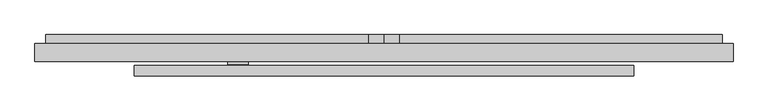
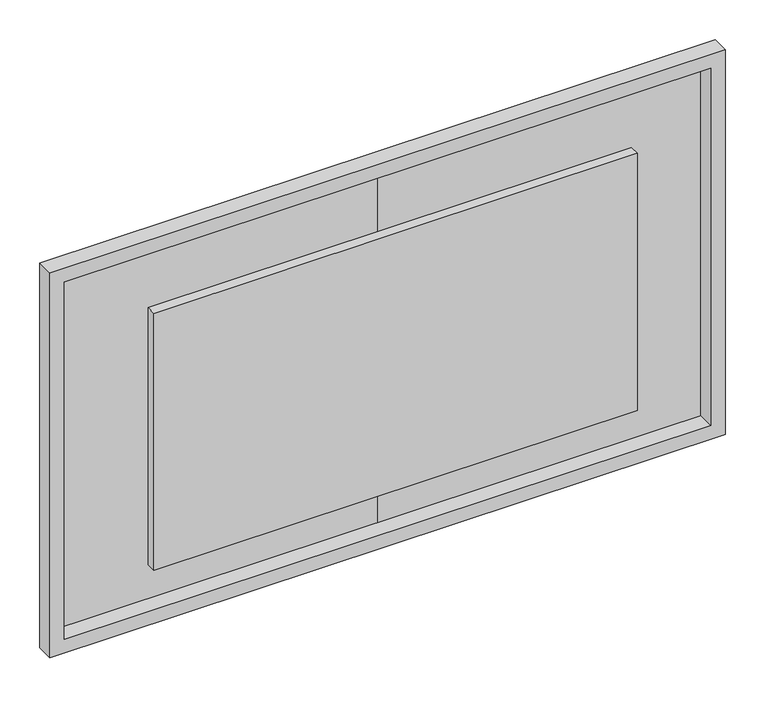
"""IFC4 building model written with IfcOpenShell, lengths in millimetres: plate geometry."""

from ifc_helpers import new_model, si_unit, point, frame, frame_2d, origin, place, context, project, spatial, polyline, circle_curve, trimmed, segment, composite_curve, outline, extrude, source, transform, mapped, element, save


def plate_c2148631(model_context):
    return source(origin(), model_context, "Body", "SweptSolid", [
        extrude(outline(polyline([(587.375, 5.3747645), (510.93116, 5.3747645), (510.93116, 24.9327645), (-510.93116, 24.9327645), (-510.93116, 5.3747645), (-587.375, 5.3747645), (-587.375, 8.0316045), (-513.588, 8.0316045), (-513.588, 27.5896045), (513.588, 27.5896045), (513.588, 8.0316045), (587.375, 8.0316045), (587.375, 5.3747645)])), frame((0.0, 0.0, 1194.181), z_axis=(0.0, 0.0, 1.0), x_axis=(1.0, 0.0, 0.0)), (0.0, 0.0, 1.0), 666.75),
        extrude(outline(polyline([(5.3747645, 1897.13616), (8.0316045, 1897.13616), (8.0316045, 1864.34984), (27.5896045, 1864.34984), (27.5896045, 1190.76216), (8.0316045, 1190.76216), (8.0316045, 1157.97584), (5.3747645, 1157.97584), (5.3747645, 1193.419), (24.9327645, 1193.419), (24.9327645, 1861.693), (5.3747645, 1861.693), (5.3747645, 1897.13616)])), frame((-510.16916, 0.0, 0.0), z_axis=(1.0, 0.0, 0.0), x_axis=(0.0, 1.0, 0.0)), (0.0, 0.0, 1.0), 1020.33832),
        extrude(outline(polyline([(2098.3702, 0.0), (2098.3702, -45.6140344), (2099.564, -45.6140344), (2099.564, -974.9746344), (955.5633805, -974.9746344), (955.5633805, -45.6140344), (956.7418, -45.6140344), (956.7418, 0.0), (1194.181, 0.0), (1194.181, -550.4390344), (1200.531, -550.4390344), (1200.531, -594.8890344), (1854.581, -594.8890344), (1854.581, -550.4390344), (1860.931, -550.4390344), (1860.931, 0.0), (2098.3702, 0.0)])), frame((0.0, 1.9076645, 0.0), z_axis=(0.0, 1.0, 0.0), x_axis=(0.0, 0.0, 1.0)), (0.0, 0.0, 1.0), 25.68194),
        extrude(outline(polyline([(2098.3702, 0.0), (1860.931, 0.0), (1860.931, 550.4390344), (1854.581, 550.4390344), (1854.581, 594.8890344), (1200.531, 594.8890344), (1200.531, 550.4390344), (1194.181, 550.4390344), (1194.181, 0.0), (956.7418, 0.0), (956.7418, 45.6140344), (955.548, 45.6140344), (955.548, 974.9746344), (2099.564, 974.9746344), (2099.564, 45.6140344), (2098.3702, 45.6140344), (2098.3702, 0.0)])), frame((0.0, 1.9076645, 0.0), z_axis=(0.0, 1.0, 0.0), x_axis=(0.0, 0.0, 1.0)), (0.0, 0.0, 1.0), 25.68194),
        extrude(outline(polyline([(-28.9703956, 1118.87), (-28.9703956, 1228.409235), (27.5896045, 1228.409235), (27.5896045, 1195.1335), (1.9076645, 1195.1335), (1.9076645, 1118.87), (-28.9703956, 1118.87)])), frame((387.10616, 0.0, 0.0), z_axis=(1.0, 0.0, 0.0), x_axis=(0.0, 1.0, 0.0)), (0.0, 0.0, 1.0), 114.3),
        extrude(outline(polyline([(-510.93116, 5.3747645), (-409.33116, 5.3747645), (-409.33116, -32.7178517), (-510.93116, -32.7178517), (-510.93116, 5.3747645)])), frame((0.0, 0.0, 1275.969), z_axis=(0.0, 0.0, 1.0), x_axis=(1.0, 0.0, 0.0)), (0.0, 0.0, 1.0), 292.1),
        extrude(outline(polyline([(-390.5800001, -57.6172355), (-450.58, -57.6172355), (-450.58, -44.9172355), (-390.5800001, -44.9172355), (-390.5800001, -57.6172355)])), frame((0.0, 0.0, 1277.3984), z_axis=(0.0, 0.0, 1.0), x_axis=(1.0, 0.0, 0.0)), (0.0, 0.0, 1.0), 59.6534781),
        extrude(outline(polyline([(917.575, 1005.8356344), (2130.425, 1005.8356344), (2130.425, -1005.8356344), (917.575, -1005.8356344), (917.575, 1005.8356344)]), holes=[polyline([(960.882, -962.5286344), (2087.118, -962.5286344), (2087.118, 962.5286344), (960.882, 962.5286344), (960.882, -962.5286344)])]), frame((0.0, -50.0073955, 0.0), z_axis=(0.0, 1.0, 0.0), x_axis=(0.0, 0.0, 1.0)), (0.0, 0.0, 1.0), 51.91506),
        extrude(outline(composite_curve([segment(polyline([(381.0, 24.9327645), (382.8786696, 23.0540949), (369.2487336, 9.424159)]), True, "CONTINUOUS"), segment(trimmed(circle_curve(frame_2d((361.95, 16.7228926)), 10.3219681), [point((369.2487336, 9.424159))], [point((361.95, 6.4009245))], False, "CARTESIAN"), True, "CONTINUOUS"), segment(polyline([(361.95, 6.4009245), (-361.95, 6.4009245)]), True, "CONTINUOUS"), segment(trimmed(circle_curve(frame_2d((-361.95, 16.7228926)), 10.3219681), [point((-361.95, 6.4009245))], [point((-369.2487336, 9.424159))], False, "CARTESIAN"), True, "CONTINUOUS"), segment(polyline([(-369.2487336, 9.424159), (-382.8786696, 23.0540949), (-381.0, 24.9327645), (-367.370064, 11.3028285)]), True, "CONTINUOUS"), segment(trimmed(circle_curve(frame_2d((-361.95, 16.7228926)), 7.6651281), [point((-367.370064, 11.3028285))], [point((-361.95, 9.0577645))], True, "CARTESIAN"), True, "CONTINUOUS"), segment(polyline([(-361.95, 9.0577645), (361.95, 9.0577645)]), True, "CONTINUOUS"), segment(trimmed(circle_curve(frame_2d((361.95, 16.7228926)), 7.6651281), [point((361.95, 9.0577645))], [point((367.370064, 11.3028285))], True, "CARTESIAN"), True, "CONTINUOUS"), segment(polyline([(367.370064, 11.3028285), (381.0, 24.9327645)]), True, "CONTINUOUS")], self_intersect=False)), frame((0.0, 0.0, 1406.906), z_axis=(0.0, 0.0, 1.0), x_axis=(1.0, 0.0, 0.0)), (0.0, 0.0, 1.0), 241.3),
        extrude(outline(polyline([(-720.09, -61.8172355), (720.09, -61.8172355), (720.09, -91.2172355), (-720.09, -91.2172355), (-720.09, -61.8172355)])), frame((0.0, 0.0, 1118.87), z_axis=(0.0, 0.0, 1.0), x_axis=(1.0, 0.0, 0.0)), (0.0, 0.0, 1.0), 810.26),
    ])


if __name__ == "__main__":
    model = new_model("IFC4")
    model_context = context("Model", 3, world=origin())
    ifc_project = project(units=[si_unit("LENGTHUNIT", "METRE", prefix="MILLI")], contexts=[model_context])
    site = spatial("IfcSite", under=ifc_project)
    building = spatial("IfcBuilding", under=site)
    placement = place(None, origin())
    plate_shape = plate_c2148631(model_context)
    element("IfcPlate", 1, at=placement, inside=building, context=model_context, shape_type="MappedRepresentation", body=[
        mapped(plate_shape, transform((0.0, 0.0, 0.0), x_axis=(1.0, 0.0, 0.0), y_axis=(0.0, 1.0, 0.0), z_axis=(0.0, 0.0, 1.0))),
    ])
    save(model, "model.ifc")
